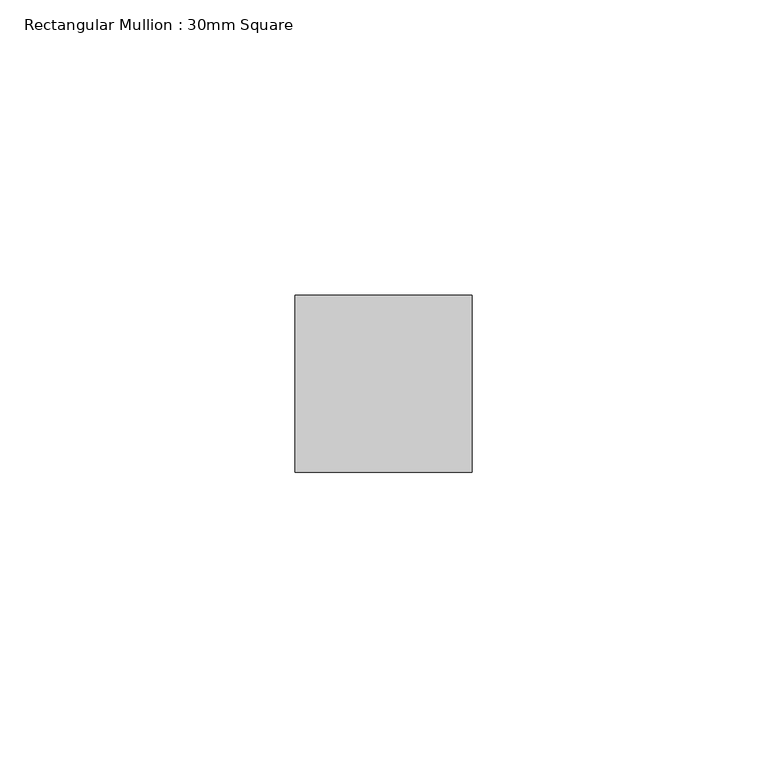
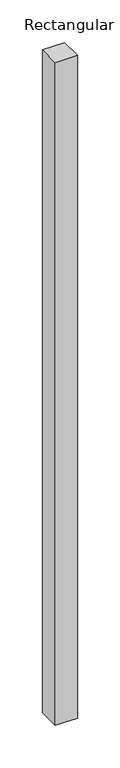
"""IFC4 building model written with IfcOpenShell, lengths in millimetres: member geometry, Rectangular Mullion : 30mm Square."""

from ifc_helpers import new_model, si_unit, frame, origin, place, context, project, spatial, polyline, outline, extrude, source, transform, mapped, element, save


def rectangular_mullion_30mm_square_c51989b0(model_context):
    return source(origin(), model_context, "Body", "SweptSolid", [
        extrude(outline(polyline([(15.0, 15.0), (15.0, -15.0), (-15.0, -15.0), (-15.0, 15.0), (15.0, 15.0)])), frame((0.0, 0.0, -948.5619948), z_axis=(0.0, 0.0, 1.0), x_axis=(1.0, 0.0, 0.0)), (0.0, 0.0, 1.0), 948.5619948),
    ])


if __name__ == "__main__":
    model = new_model("IFC4")
    model_context = context("Model", 3, world=origin())
    ifc_project = project(units=[si_unit("LENGTHUNIT", "METRE", prefix="MILLI")], contexts=[model_context])
    site = spatial("IfcSite", under=ifc_project)
    building = spatial("IfcBuilding", under=site)
    placement = place(None, origin())
    rectangular_mullion_30mm_square_shape = rectangular_mullion_30mm_square_c51989b0(model_context)
    element("IfcMember", 1, ObjectType="Rectangular Mullion : 30mm Square", at=placement, inside=building, context=model_context, shape_type="MappedRepresentation", body=[
        mapped(rectangular_mullion_30mm_square_shape, transform((0.0, 0.0, 0.0), x_axis=(1.0, 0.0, 0.0), y_axis=(0.0, 1.0, 0.0), z_axis=(0.0, 0.0, 1.0))),
    ])
    save(model, "model.ifc")
